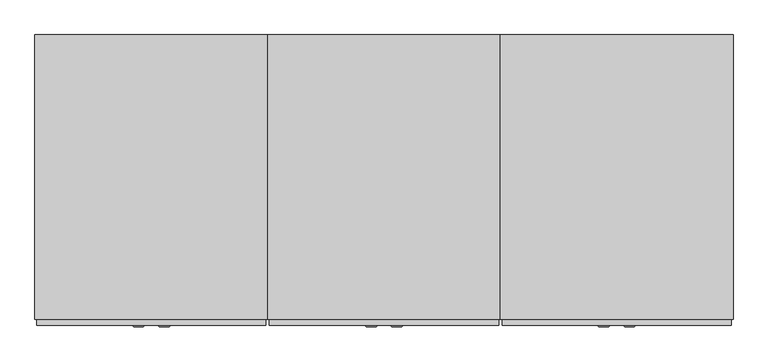
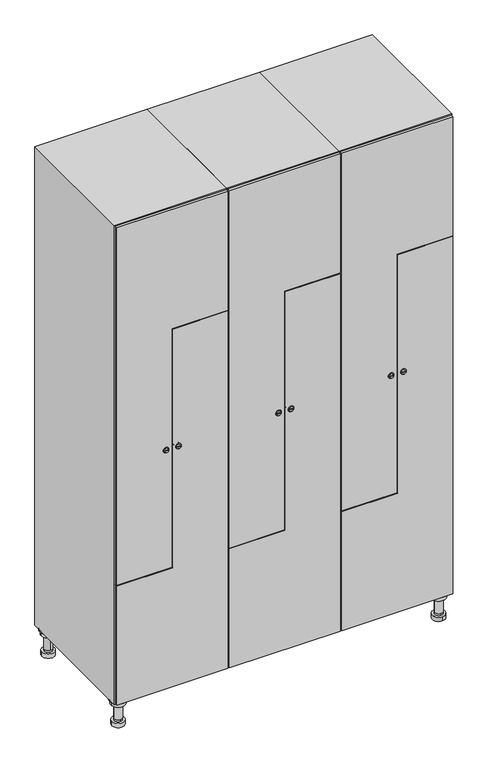
"""IFC4 building model written with IfcOpenShell, lengths in millimetres: furniture geometry."""

from ifc_helpers import new_model, si_unit, point, frame, frame_2d, origin, place, context, project, spatial, polyline, circle_curve, trimmed, segment, composite_curve, outline, extrude, faceted_brep, source, transform, mapped, element, save
from ifc_brep_helpers import plane_surface, cylinder_surface, revolved_surface, advanced_brep


def furniture_04ad4f9d(model_context):
    return source(origin(), model_context, "Body", "SolidModel", [
        advanced_brep(
        [(970.0, -201.0, 22.0), (970.0, -201.5, 16.0), (970.0, -228.5, 16.0), (970.0, -229.0, 22.0), (956.0, -215.0, 22.0), (984.0, -215.0, 22.0), (970.0, -192.5, 16.0), (970.0, -237.5, 16.0), (970.0, -192.5, 0.0), (970.0, -237.5, 0.0), (984.0, -215.0, 78.0), (956.0, -215.0, 78.0), (995.0, -215.0, 78.0), (945.0, -215.0, 78.0), (1000.0, -215.0, 94.0), (940.0, -215.0, 94.0), (945.0, -215.0, 94.0), (995.0, -215.0, 94.0), (1000.0, -215.0, 100.0), (940.0, -215.0, 100.0)],
        [
            (0, 1),
            (1, 2, circle_curve(frame((970.0, -215.0, 16.0), z_axis=(0.0, 0.0, 1.0), x_axis=(0.0, -1.0, 0.0)), 13.5)),
            (2, 3),
            (3, 4, circle_curve(frame((970.0, -215.0, 22.0), z_axis=(0.0, 0.0, -1.0), x_axis=(0.0, -1.0, 0.0)), 14.0)),
            (4, 0, circle_curve(frame((970.0, -215.0, 22.0), z_axis=(0.0, 0.0, -1.0), x_axis=(0.0, -1.0, 0.0)), 14.0)),
            (0, 5, circle_curve(frame((970.0, -215.0, 22.0), z_axis=(0.0, 0.0, -1.0), x_axis=(0.0, 1.0, 0.0)), 14.0)),
            (5, 3, circle_curve(frame((970.0, -215.0, 22.0), z_axis=(0.0, 0.0, -1.0), x_axis=(0.0, 1.0, 0.0)), 14.0)),
            (2, 1, circle_curve(frame((970.0, -215.0, 16.0), z_axis=(0.0, 0.0, 1.0), x_axis=(0.0, 1.0, 0.0)), 13.5)),
            (6, 7, circle_curve(frame((970.0, -215.0, 16.0), z_axis=(0.0, 0.0, 1.0), x_axis=(0.0, -1.0, 0.0)), 22.5)),
            (7, 6, circle_curve(frame((970.0, -215.0, 16.0), z_axis=(0.0, 0.0, 1.0), x_axis=(0.0, -1.0, 0.0)), 22.5)),
            (8, 9, circle_curve(frame((970.0, -215.0, 0.0), z_axis=(0.0, 0.0, -1.0), x_axis=(0.0, -1.0, 0.0)), 22.5)),
            (9, 8, circle_curve(frame((970.0, -215.0, 0.0), z_axis=(0.0, 0.0, -1.0), x_axis=(0.0, -1.0, 0.0)), 22.5)),
            (6, 8),
            (9, 7),
            (5, 10),
            (10, 11, circle_curve(frame((970.0, -215.0, 78.0), z_axis=(0.0, 0.0, -1.0), x_axis=(-1.0, 0.0, 0.0)), 14.0)),
            (11, 4),
            (11, 10, circle_curve(frame((970.0, -215.0, 78.0), z_axis=(0.0, 0.0, -1.0), x_axis=(-1.0, 0.0, 0.0)), 14.0)),
            (12, 13, circle_curve(frame((970.0, -215.0, 78.0), z_axis=(0.0, 0.0, -1.0), x_axis=(-1.0, 0.0, 0.0)), 25.0)),
            (13, 12, circle_curve(frame((970.0, -215.0, 78.0), z_axis=(0.0, 0.0, -1.0), x_axis=(-1.0, 0.0, 0.0)), 25.0)),
            (14, 15, circle_curve(frame((970.0, -215.0, 94.0), z_axis=(0.0, 0.0, -1.0), x_axis=(-1.0, 0.0, 0.0)), 30.0)),
            (15, 14, circle_curve(frame((970.0, -215.0, 94.0), z_axis=(0.0, 0.0, -1.0), x_axis=(-1.0, 0.0, 0.0)), 30.0)),
            (16, 17, circle_curve(frame((970.0, -215.0, 94.0), z_axis=(0.0, 0.0, 1.0), x_axis=(-1.0, 0.0, 0.0)), 25.0)),
            (17, 16, circle_curve(frame((970.0, -215.0, 94.0), z_axis=(0.0, 0.0, 1.0), x_axis=(-1.0, 0.0, 0.0)), 25.0)),
            (18, 19, circle_curve(frame((970.0, -215.0, 100.0), z_axis=(0.0, 0.0, 1.0), x_axis=(-1.0, 0.0, 0.0)), 30.0)),
            (19, 18, circle_curve(frame((970.0, -215.0, 100.0), z_axis=(0.0, 0.0, 1.0), x_axis=(-1.0, 0.0, 0.0)), 30.0)),
            (14, 18),
            (19, 15),
            (12, 17),
            (16, 13),
        ],
        [
            revolved_surface(polyline([(970.0, -201.5, 16.0), (970.0, -201.0, 22.0)]), (970.0, -215.0, -146.0), (0.0, 0.0, 1.0)),
            plane_surface(frame((970.0, 0.0, 16.0), z_axis=(0.0, 0.0, 1.0), x_axis=(0.0, -1.0, 0.0))),
            plane_surface(frame((970.0, 0.0, 0.0), z_axis=(0.0, 0.0, -1.0), x_axis=(0.0, -1.0, 0.0))),
            cylinder_surface(frame((970.0, -215.0, 16.0), z_axis=(0.0, 0.0, 1.0), x_axis=(0.0, -1.0, 0.0)), 22.5),
            cylinder_surface(frame((970.0, -215.0, 22.0), z_axis=(0.0, 0.0, -1.0), x_axis=(-1.0, 0.0, 0.0)), 14.0),
            plane_surface(frame((970.0, 0.0, 78.0), z_axis=(0.0, 0.0, -1.0), x_axis=(0.0, -1.0, 0.0))),
            plane_surface(frame((970.0, 0.0, 94.0), z_axis=(0.0, 0.0, -1.0), x_axis=(0.0, -1.0, 0.0))),
            plane_surface(frame((970.0, 0.0, 100.0), z_axis=(0.0, 0.0, 1.0), x_axis=(0.0, -1.0, 0.0))),
            cylinder_surface(frame((970.0, -215.0, 94.0), z_axis=(0.0, 0.0, -1.0), x_axis=(-1.0, 0.0, 0.0)), 30.0),
            cylinder_surface(frame((970.0, -215.0, 78.0), z_axis=(0.0, 0.0, -1.0), x_axis=(-1.0, 0.0, 0.0)), 25.0),
        ],
        [
            (0, [[1, 2, 3, 4, 5]]),
            (0, [[-1, 6, 7, -3, 8]]),
            (1, [[9, 10], [-2, -8]]),
            (2, [[11, 12]]),
            (3, [[-9, 13, -12, 14]]),
            (3, [[-10, -14, -11, -13]]),
            (4, [[15, 16, 17, -4, -7]]),
            (4, [[-15, -6, -5, -17, 18]]),
            (5, [[19, 20], [-16, -18]]),
            (6, [[21, 22], [23, 24]]),
            (7, [[25, 26]]),
            (8, [[-21, 27, -26, 28]]),
            (8, [[-22, -28, -25, -27]]),
            (9, [[-19, 29, -23, 30]]),
            (9, [[-20, -30, -24, -29]]),
        ],
    ),
        advanced_brep(
        [(-170.0, -201.0, 22.0), (-170.0, -201.5, 16.0), (-170.0, -228.5, 16.0), (-170.0, -229.0, 22.0), (-184.0, -215.0, 22.0), (-156.0, -215.0, 22.0), (-147.5, -215.0, 0.0), (-192.5, -215.0, 0.0), (-147.5, -215.0, 16.0), (-192.5, -215.0, 16.0), (-156.0, -215.0, 78.0), (-184.0, -215.0, 78.0), (-145.0, -215.0, 78.0), (-195.0, -215.0, 78.0), (-140.0, -215.0, 94.0), (-200.0, -215.0, 94.0), (-195.0, -215.0, 94.0), (-145.0, -215.0, 94.0), (-140.0, -215.0, 100.0), (-200.0, -215.0, 100.0)],
        [
            (0, 1),
            (1, 2, circle_curve(frame((-170.0, -215.0, 16.0), z_axis=(0.0, 0.0, 1.0), x_axis=(0.0, -1.0, 0.0)), 13.5)),
            (2, 3),
            (3, 4, circle_curve(frame((-170.0, -215.0, 22.0), z_axis=(0.0, 0.0, -1.0), x_axis=(0.0, -1.0, 0.0)), 14.0)),
            (4, 0, circle_curve(frame((-170.0, -215.0, 22.0), z_axis=(0.0, 0.0, -1.0), x_axis=(0.0, -1.0, 0.0)), 14.0)),
            (0, 5, circle_curve(frame((-170.0, -215.0, 22.0), z_axis=(0.0, 0.0, -1.0), x_axis=(0.0, 1.0, 0.0)), 14.0)),
            (5, 3, circle_curve(frame((-170.0, -215.0, 22.0), z_axis=(0.0, 0.0, -1.0), x_axis=(0.0, 1.0, 0.0)), 14.0)),
            (2, 1, circle_curve(frame((-170.0, -215.0, 16.0), z_axis=(0.0, 0.0, 1.0), x_axis=(0.0, 1.0, 0.0)), 13.5)),
            (6, 7, circle_curve(frame((-170.0, -215.0, 0.0), z_axis=(0.0, 0.0, -1.0), x_axis=(-1.0, 0.0, 0.0)), 22.5)),
            (7, 6, circle_curve(frame((-170.0, -215.0, 0.0), z_axis=(0.0, 0.0, -1.0), x_axis=(-1.0, 0.0, 0.0)), 22.5)),
            (8, 9, circle_curve(frame((-170.0, -215.0, 16.0), z_axis=(0.0, 0.0, 1.0), x_axis=(-1.0, 0.0, 0.0)), 22.5)),
            (9, 8, circle_curve(frame((-170.0, -215.0, 16.0), z_axis=(0.0, 0.0, 1.0), x_axis=(-1.0, 0.0, 0.0)), 22.5)),
            (6, 8),
            (9, 7),
            (5, 10),
            (10, 11, circle_curve(frame((-170.0, -215.0, 78.0), z_axis=(0.0, 0.0, -1.0), x_axis=(-1.0, 0.0, 0.0)), 14.0)),
            (11, 4),
            (11, 10, circle_curve(frame((-170.0, -215.0, 78.0), z_axis=(0.0, 0.0, -1.0), x_axis=(-1.0, 0.0, 0.0)), 14.0)),
            (12, 13, circle_curve(frame((-170.0, -215.0, 78.0), z_axis=(0.0, 0.0, -1.0), x_axis=(-1.0, 0.0, 0.0)), 25.0)),
            (13, 12, circle_curve(frame((-170.0, -215.0, 78.0), z_axis=(0.0, 0.0, -1.0), x_axis=(-1.0, 0.0, 0.0)), 25.0)),
            (14, 15, circle_curve(frame((-170.0, -215.0, 94.0), z_axis=(0.0, 0.0, -1.0), x_axis=(-1.0, 0.0, 0.0)), 30.0)),
            (15, 14, circle_curve(frame((-170.0, -215.0, 94.0), z_axis=(0.0, 0.0, -1.0), x_axis=(-1.0, 0.0, 0.0)), 30.0)),
            (16, 17, circle_curve(frame((-170.0, -215.0, 94.0), z_axis=(0.0, 0.0, 1.0), x_axis=(-1.0, 0.0, 0.0)), 25.0)),
            (17, 16, circle_curve(frame((-170.0, -215.0, 94.0), z_axis=(0.0, 0.0, 1.0), x_axis=(-1.0, 0.0, 0.0)), 25.0)),
            (18, 19, circle_curve(frame((-170.0, -215.0, 100.0), z_axis=(0.0, 0.0, 1.0), x_axis=(-1.0, 0.0, 0.0)), 30.0)),
            (19, 18, circle_curve(frame((-170.0, -215.0, 100.0), z_axis=(0.0, 0.0, 1.0), x_axis=(-1.0, 0.0, 0.0)), 30.0)),
            (14, 18),
            (19, 15),
            (12, 17),
            (16, 13),
        ],
        [
            revolved_surface(polyline([(-170.0, -201.5, 16.0), (-170.0, -201.0, 22.0)]), (-170.0, -215.0, -146.0), (0.0, 0.0, 1.0)),
            plane_surface(frame((-170.0, 0.0, 0.0), z_axis=(0.0, 0.0, -1.0), x_axis=(0.0, -1.0, 0.0))),
            plane_surface(frame((-170.0, 0.0, 16.0), z_axis=(0.0, 0.0, 1.0), x_axis=(0.0, -1.0, 0.0))),
            cylinder_surface(frame((-170.0, -215.0, 0.0), z_axis=(0.0, 0.0, -1.0), x_axis=(-1.0, 0.0, 0.0)), 22.5),
            cylinder_surface(frame((-170.0, -215.0, 22.0), z_axis=(0.0, 0.0, -1.0), x_axis=(-1.0, 0.0, 0.0)), 14.0),
            plane_surface(frame((-170.0, 0.0, 78.0), z_axis=(0.0, 0.0, -1.0), x_axis=(0.0, -1.0, 0.0))),
            plane_surface(frame((-170.0, 0.0, 94.0), z_axis=(0.0, 0.0, -1.0), x_axis=(0.0, -1.0, 0.0))),
            plane_surface(frame((-170.0, 0.0, 100.0), z_axis=(0.0, 0.0, 1.0), x_axis=(0.0, -1.0, 0.0))),
            cylinder_surface(frame((-170.0, -215.0, 94.0), z_axis=(0.0, 0.0, -1.0), x_axis=(-1.0, 0.0, 0.0)), 30.0),
            cylinder_surface(frame((-170.0, -215.0, 78.0), z_axis=(0.0, 0.0, -1.0), x_axis=(-1.0, 0.0, 0.0)), 25.0),
        ],
        [
            (0, [[1, 2, 3, 4, 5]]),
            (0, [[-1, 6, 7, -3, 8]]),
            (1, [[9, 10]]),
            (2, [[11, 12], [-2, -8]]),
            (3, [[-9, 13, -12, 14]]),
            (3, [[-10, -14, -11, -13]]),
            (4, [[15, 16, 17, -4, -7]]),
            (4, [[-15, -6, -5, -17, 18]]),
            (5, [[19, 20], [-16, -18]]),
            (6, [[21, 22], [23, 24]]),
            (7, [[25, 26]]),
            (8, [[-21, 27, -26, 28]]),
            (8, [[-22, -28, -25, -27]]),
            (9, [[-19, 29, -23, 30]]),
            (9, [[-20, -30, -24, -29]]),
        ],
    ),
        advanced_brep(
        [(983.5, 215.0, 16.0), (984.0, 215.0, 22.0), (956.0, 215.0, 22.0), (956.5, 215.0, 16.0), (992.5, 215.0, 0.0), (947.5, 215.0, 0.0), (992.5, 215.0, 16.0), (947.5, 215.0, 16.0), (984.0, 215.0, 78.0), (956.0, 215.0, 78.0), (995.0, 215.0, 78.0), (945.0, 215.0, 78.0), (1000.0, 215.0, 94.0), (940.0, 215.0, 94.0), (945.0, 215.0, 94.0), (995.0, 215.0, 94.0), (1000.0, 215.0, 100.0), (940.0, 215.0, 100.0)],
        [
            (0, 1),
            (1, 2, circle_curve(frame((970.0, 215.0, 22.0), z_axis=(0.0, 0.0, -1.0), x_axis=(-1.0, 0.0, 0.0)), 14.0)),
            (2, 3),
            (3, 0, circle_curve(frame((970.0, 215.0, 16.0), z_axis=(0.0, 0.0, 1.0), x_axis=(-1.0, 0.0, 0.0)), 13.5)),
            (0, 3, circle_curve(frame((970.0, 215.0, 16.0), z_axis=(0.0, 0.0, 1.0), x_axis=(1.0, 0.0, 0.0)), 13.5)),
            (2, 1, circle_curve(frame((970.0, 215.0, 22.0), z_axis=(0.0, 0.0, -1.0), x_axis=(1.0, 0.0, 0.0)), 14.0)),
            (4, 5, circle_curve(frame((970.0, 215.0, 0.0), z_axis=(0.0, 0.0, -1.0), x_axis=(-1.0, 0.0, 0.0)), 22.5)),
            (5, 4, circle_curve(frame((970.0, 215.0, 0.0), z_axis=(0.0, 0.0, -1.0), x_axis=(-1.0, 0.0, 0.0)), 22.5)),
            (6, 7, circle_curve(frame((970.0, 215.0, 16.0), z_axis=(0.0, 0.0, 1.0), x_axis=(-1.0, 0.0, 0.0)), 22.5)),
            (7, 6, circle_curve(frame((970.0, 215.0, 16.0), z_axis=(0.0, 0.0, 1.0), x_axis=(-1.0, 0.0, 0.0)), 22.5)),
            (4, 6),
            (7, 5),
            (1, 8),
            (8, 9, circle_curve(frame((970.0, 215.0, 78.0), z_axis=(0.0, 0.0, -1.0), x_axis=(-1.0, 0.0, 0.0)), 14.0)),
            (9, 2),
            (9, 8, circle_curve(frame((970.0, 215.0, 78.0), z_axis=(0.0, 0.0, -1.0), x_axis=(-1.0, 0.0, 0.0)), 14.0)),
            (10, 11, circle_curve(frame((970.0, 215.0, 78.0), z_axis=(0.0, 0.0, -1.0), x_axis=(-1.0, 0.0, 0.0)), 25.0)),
            (11, 10, circle_curve(frame((970.0, 215.0, 78.0), z_axis=(0.0, 0.0, -1.0), x_axis=(-1.0, 0.0, 0.0)), 25.0)),
            (12, 13, circle_curve(frame((970.0, 215.0, 94.0), z_axis=(0.0, 0.0, -1.0), x_axis=(-1.0, 0.0, 0.0)), 30.0)),
            (13, 12, circle_curve(frame((970.0, 215.0, 94.0), z_axis=(0.0, 0.0, -1.0), x_axis=(-1.0, 0.0, 0.0)), 30.0)),
            (14, 15, circle_curve(frame((970.0, 215.0, 94.0), z_axis=(0.0, 0.0, 1.0), x_axis=(-1.0, 0.0, 0.0)), 25.0)),
            (15, 14, circle_curve(frame((970.0, 215.0, 94.0), z_axis=(0.0, 0.0, 1.0), x_axis=(-1.0, 0.0, 0.0)), 25.0)),
            (16, 17, circle_curve(frame((970.0, 215.0, 100.0), z_axis=(0.0, 0.0, 1.0), x_axis=(-1.0, 0.0, 0.0)), 30.0)),
            (17, 16, circle_curve(frame((970.0, 215.0, 100.0), z_axis=(0.0, 0.0, 1.0), x_axis=(-1.0, 0.0, 0.0)), 30.0)),
            (12, 16),
            (17, 13),
            (10, 15),
            (14, 11),
        ],
        [
            revolved_surface(polyline([(983.5, 215.0, 16.0), (984.0, 215.0, 22.0)]), (970.0, 215.0, -146.0), (0.0, 0.0, 1.0)),
            plane_surface(frame((970.0, 0.0, 0.0), z_axis=(0.0, 0.0, -1.0), x_axis=(0.0, -1.0, 0.0))),
            plane_surface(frame((970.0, 0.0, 16.0), z_axis=(0.0, 0.0, 1.0), x_axis=(0.0, -1.0, 0.0))),
            cylinder_surface(frame((970.0, 215.0, 0.0), z_axis=(0.0, 0.0, -1.0), x_axis=(-1.0, 0.0, 0.0)), 22.5),
            cylinder_surface(frame((970.0, 215.0, 22.0), z_axis=(0.0, 0.0, -1.0), x_axis=(-1.0, 0.0, 0.0)), 14.0),
            plane_surface(frame((970.0, 0.0, 78.0), z_axis=(0.0, 0.0, -1.0), x_axis=(0.0, -1.0, 0.0))),
            plane_surface(frame((970.0, 0.0, 94.0), z_axis=(0.0, 0.0, -1.0), x_axis=(0.0, -1.0, 0.0))),
            plane_surface(frame((970.0, 0.0, 100.0), z_axis=(0.0, 0.0, 1.0), x_axis=(0.0, -1.0, 0.0))),
            cylinder_surface(frame((970.0, 215.0, 94.0), z_axis=(0.0, 0.0, -1.0), x_axis=(-1.0, 0.0, 0.0)), 30.0),
            cylinder_surface(frame((970.0, 215.0, 78.0), z_axis=(0.0, 0.0, -1.0), x_axis=(-1.0, 0.0, 0.0)), 25.0),
        ],
        [
            (0, [[1, 2, 3, 4]]),
            (0, [[-1, 5, -3, 6]]),
            (1, [[7, 8]]),
            (2, [[9, 10], [-4, -5]]),
            (3, [[-7, 11, -10, 12]]),
            (3, [[-8, -12, -9, -11]]),
            (4, [[13, 14, 15, -2]]),
            (4, [[-13, -6, -15, 16]]),
            (5, [[17, 18], [-14, -16]]),
            (6, [[19, 20], [21, 22]]),
            (7, [[23, 24]]),
            (8, [[-19, 25, -24, 26]]),
            (8, [[-20, -26, -23, -25]]),
            (9, [[-17, 27, -21, 28]]),
            (9, [[-18, -28, -22, -27]]),
        ],
    ),
        advanced_brep(
        [(-156.5, 215.0, 16.0), (-156.0, 215.0, 22.0), (-170.0, 201.0, 22.0), (-184.0, 215.0, 22.0), (-183.5, 215.0, 16.0), (-170.0, 229.0, 22.0), (-147.5, 215.0, 0.0), (-192.5, 215.0, 0.0), (-147.5, 215.0, 16.0), (-192.5, 215.0, 16.0), (-170.0, 229.0, 78.0), (-170.0, 201.0, 78.0), (-145.0, 215.0, 78.0), (-195.0, 215.0, 78.0), (-140.0, 215.0, 94.0), (-200.0, 215.0, 94.0), (-195.0, 215.0, 94.0), (-145.0, 215.0, 94.0), (-140.0, 215.0, 100.0), (-200.0, 215.0, 100.0)],
        [
            (0, 1),
            (1, 2, circle_curve(frame((-170.0, 215.0, 22.0), z_axis=(0.0, 0.0, -1.0), x_axis=(-1.0, 0.0, 0.0)), 14.0)),
            (2, 3, circle_curve(frame((-170.0, 215.0, 22.0), z_axis=(0.0, 0.0, -1.0), x_axis=(-1.0, 0.0, 0.0)), 14.0)),
            (3, 4),
            (4, 0, circle_curve(frame((-170.0, 215.0, 16.0), z_axis=(0.0, 0.0, 1.0), x_axis=(-1.0, 0.0, 0.0)), 13.5)),
            (0, 4, circle_curve(frame((-170.0, 215.0, 16.0), z_axis=(0.0, 0.0, 1.0), x_axis=(1.0, 0.0, 0.0)), 13.5)),
            (3, 5, circle_curve(frame((-170.0, 215.0, 22.0), z_axis=(0.0, 0.0, -1.0), x_axis=(1.0, 0.0, 0.0)), 14.0)),
            (5, 1, circle_curve(frame((-170.0, 215.0, 22.0), z_axis=(0.0, 0.0, -1.0), x_axis=(1.0, 0.0, 0.0)), 14.0)),
            (6, 7, circle_curve(frame((-170.0, 215.0, 0.0), z_axis=(0.0, 0.0, -1.0), x_axis=(-1.0, 0.0, 0.0)), 22.5)),
            (7, 6, circle_curve(frame((-170.0, 215.0, 0.0), z_axis=(0.0, 0.0, -1.0), x_axis=(-1.0, 0.0, 0.0)), 22.5)),
            (8, 9, circle_curve(frame((-170.0, 215.0, 16.0), z_axis=(0.0, 0.0, 1.0), x_axis=(-1.0, 0.0, 0.0)), 22.5)),
            (9, 8, circle_curve(frame((-170.0, 215.0, 16.0), z_axis=(0.0, 0.0, 1.0), x_axis=(-1.0, 0.0, 0.0)), 22.5)),
            (6, 8),
            (9, 7),
            (10, 5),
            (2, 11),
            (11, 10, circle_curve(frame((-170.0, 215.0, 78.0), z_axis=(0.0, 0.0, -1.0), x_axis=(0.0, -1.0, 0.0)), 14.0)),
            (10, 11, circle_curve(frame((-170.0, 215.0, 78.0), z_axis=(0.0, 0.0, -1.0), x_axis=(0.0, -1.0, 0.0)), 14.0)),
            (12, 13, circle_curve(frame((-170.0, 215.0, 78.0), z_axis=(0.0, 0.0, -1.0), x_axis=(-1.0, 0.0, 0.0)), 25.0)),
            (13, 12, circle_curve(frame((-170.0, 215.0, 78.0), z_axis=(0.0, 0.0, -1.0), x_axis=(-1.0, 0.0, 0.0)), 25.0)),
            (14, 15, circle_curve(frame((-170.0, 215.0, 94.0), z_axis=(0.0, 0.0, -1.0), x_axis=(-1.0, 0.0, 0.0)), 30.0)),
            (15, 14, circle_curve(frame((-170.0, 215.0, 94.0), z_axis=(0.0, 0.0, -1.0), x_axis=(-1.0, 0.0, 0.0)), 30.0)),
            (16, 17, circle_curve(frame((-170.0, 215.0, 94.0), z_axis=(0.0, 0.0, 1.0), x_axis=(-1.0, 0.0, 0.0)), 25.0)),
            (17, 16, circle_curve(frame((-170.0, 215.0, 94.0), z_axis=(0.0, 0.0, 1.0), x_axis=(-1.0, 0.0, 0.0)), 25.0)),
            (18, 19, circle_curve(frame((-170.0, 215.0, 100.0), z_axis=(0.0, 0.0, 1.0), x_axis=(-1.0, 0.0, 0.0)), 30.0)),
            (19, 18, circle_curve(frame((-170.0, 215.0, 100.0), z_axis=(0.0, 0.0, 1.0), x_axis=(-1.0, 0.0, 0.0)), 30.0)),
            (14, 18),
            (19, 15),
            (12, 17),
            (16, 13),
        ],
        [
            revolved_surface(polyline([(-156.5, 215.0, 16.0), (-156.0, 215.0, 22.0)]), (-170.0, 215.0, -146.0), (0.0, 0.0, 1.0)),
            plane_surface(frame((-170.0, 0.0, 0.0), z_axis=(0.0, 0.0, -1.0), x_axis=(0.0, -1.0, 0.0))),
            plane_surface(frame((-170.0, 0.0, 16.0), z_axis=(0.0, 0.0, 1.0), x_axis=(0.0, -1.0, 0.0))),
            cylinder_surface(frame((-170.0, 215.0, 0.0), z_axis=(0.0, 0.0, -1.0), x_axis=(-1.0, 0.0, 0.0)), 22.5),
            cylinder_surface(frame((-170.0, 215.0, 78.0), z_axis=(0.0, 0.0, 1.0), x_axis=(0.0, -1.0, 0.0)), 14.0),
            plane_surface(frame((-170.0, 0.0, 78.0), z_axis=(0.0, 0.0, -1.0), x_axis=(0.0, -1.0, 0.0))),
            plane_surface(frame((-170.0, 0.0, 94.0), z_axis=(0.0, 0.0, -1.0), x_axis=(0.0, -1.0, 0.0))),
            plane_surface(frame((-170.0, 0.0, 100.0), z_axis=(0.0, 0.0, 1.0), x_axis=(0.0, -1.0, 0.0))),
            cylinder_surface(frame((-170.0, 215.0, 94.0), z_axis=(0.0, 0.0, -1.0), x_axis=(-1.0, 0.0, 0.0)), 30.0),
            cylinder_surface(frame((-170.0, 215.0, 78.0), z_axis=(0.0, 0.0, -1.0), x_axis=(-1.0, 0.0, 0.0)), 25.0),
        ],
        [
            (0, [[1, 2, 3, 4, 5]]),
            (0, [[-1, 6, -4, 7, 8]]),
            (1, [[9, 10]]),
            (2, [[11, 12], [-5, -6]]),
            (3, [[-9, 13, -12, 14]]),
            (3, [[-10, -14, -11, -13]]),
            (4, [[15, -7, -3, 16, 17]]),
            (4, [[-15, 18, -16, -2, -8]]),
            (5, [[19, 20], [-17, -18]]),
            (6, [[21, 22], [23, 24]]),
            (7, [[25, 26]]),
            (8, [[-21, 27, -26, 28]]),
            (8, [[-22, -28, -25, -27]]),
            (9, [[-19, 29, -23, 30]]),
            (9, [[-20, -30, -24, -29]]),
        ],
    ),
        extrude(outline(composite_curve([segment(trimmed(circle_curve(frame_2d((1000.0, 804.7989466)), 7.0), [point((993.0, 804.7989466))], [point((1007.0, 804.7989466))], False, "CARTESIAN"), True, "CONTINUOUS"), segment(polyline([(1007.0, 804.7989466), (1007.0, 776.7989466)]), True, "CONTINUOUS"), segment(trimmed(circle_curve(frame_2d((1000.0, 776.7989466)), 7.0), [point((1007.0, 776.7989466))], [point((993.0, 776.7989466))], False, "CARTESIAN"), True, "CONTINUOUS"), segment(polyline([(993.0, 776.7989466), (993.0, 804.7989466)]), True, "CONTINUOUS")], self_intersect=False)), frame((0.0, -245.0, 0.0), z_axis=(0.0, 1.0, 0.0), x_axis=(0.0, 0.0, 1.0)), (0.0, 0.0, 1.0), 2.0),
        advanced_brep(
        [(769.5, -257.2, 1000.0), (786.5, -257.2, 1000.0), (783.0, -257.2, 1001.25), (783.0, -257.2, 998.75), (773.0, -257.2, 998.75), (773.0, -257.2, 1001.25), (767.5, -255.0, 1000.0), (788.5, -255.0, 1000.0), (783.0, -255.0, 998.75), (783.0, -255.0, 1001.25), (773.0, -255.0, 1001.25), (773.0, -255.0, 998.75)],
        [
            (0, 1, circle_curve(frame((778.0, -257.2, 1000.0), z_axis=(0.0, -1.0, 0.0), x_axis=(-1.0, 0.0, 0.0)), 8.5)),
            (1, 0, circle_curve(frame((778.0, -257.2, 1000.0), z_axis=(0.0, -1.0, 0.0), x_axis=(1.0, 0.0, 0.0)), 8.5)),
            (2, 3),
            (3, 4),
            (4, 5),
            (5, 2),
            (6, 7, circle_curve(frame((778.0, -255.0, 1000.0), z_axis=(0.0, 1.0, 0.0), x_axis=(1.0, 0.0, 0.0)), 10.5)),
            (7, 6, circle_curve(frame((778.0, -255.0, 1000.0), z_axis=(0.0, 1.0, 0.0), x_axis=(-1.0, 0.0, 0.0)), 10.5)),
            (8, 9),
            (9, 10),
            (10, 11),
            (11, 8),
            (0, 6),
            (7, 1),
            (8, 3),
            (2, 9),
            (11, 4),
            (10, 5),
        ],
        [
            plane_surface(frame((778.0, -257.2, 1000.0), z_axis=(0.0, -1.0, 0.0), x_axis=(0.0, 0.0, -1.0))),
            plane_surface(frame((778.0, -255.0, 1000.0), z_axis=(0.0, 1.0, 0.0), x_axis=(0.0, 0.0, -1.0))),
            revolved_surface(polyline([(769.5, -257.2, 1000.0), (767.5, -255.0, 1000.0)]), (778.0, -266.55, 1000.0), (0.0, 1.0, 0.0)),
            revolved_surface(polyline([(786.5, -257.2, 1000.0), (788.5, -255.0, 1000.0)]), (778.0, -266.55, 1000.0), (0.0, 1.0, 0.0)),
            plane_surface(frame((783.0, -255.0, 1001.25), z_axis=(-1.0, 0.0, 0.0), x_axis=(0.0, -1.0, 0.0))),
            plane_surface(frame((783.0, -255.0, 998.75), z_axis=(0.0, 0.0, 1.0), x_axis=(0.0, -1.0, 0.0))),
            plane_surface(frame((773.0, -255.0, 998.75), z_axis=(1.0, 0.0, 0.0), x_axis=(0.0, -1.0, 0.0))),
            plane_surface(frame((773.0, -255.0, 1001.25), z_axis=(0.0, 0.0, -1.0), x_axis=(0.0, -1.0, 0.0))),
        ],
        [
            (0, [[1, 2], [3, 4, 5, 6]]),
            (1, [[7, 8], [9, 10, 11, 12]]),
            (2, [[-1, 13, -8, 14]]),
            (3, [[-2, -14, -7, -13]]),
            (4, [[15, -3, 16, -9]]),
            (5, [[-15, -12, 17, -4]]),
            (6, [[-17, -11, 18, -5]]),
            (7, [[-16, -6, -18, -10]]),
        ],
    ),
        extrude(outline(polyline([(1897.0, 603.0), (553.0, 603.0), (553.0, 798.5), (1450.0, 798.5), (1450.0, 997.0), (1897.0, 997.0), (1897.0, 603.0)])), frame((0.0, -255.0, 0.0), z_axis=(0.0, 1.0, 0.0), x_axis=(0.0, 0.0, 1.0)), (0.0, 0.0, 1.0), 10.0),
        extrude(outline(composite_curve([segment(trimmed(circle_curve(frame_2d((1000.0, 795.2010534)), 7.0), [point((1007.0, 795.2010534))], [point((993.0, 795.2010534))], False, "CARTESIAN"), True, "CONTINUOUS"), segment(polyline([(993.0, 795.2010534), (993.0, 823.2010534)]), True, "CONTINUOUS"), segment(trimmed(circle_curve(frame_2d((1000.0, 823.2010534)), 7.0), [point((993.0, 823.2010534))], [point((1007.0, 823.2010534))], False, "CARTESIAN"), True, "CONTINUOUS"), segment(polyline([(1007.0, 823.2010534), (1007.0, 795.2010534)]), True, "CONTINUOUS")], self_intersect=False)), frame((0.0, -245.0, 0.0), z_axis=(0.0, 1.0, 0.0), x_axis=(0.0, 0.0, 1.0)), (0.0, 0.0, 1.0), 2.0),
        advanced_brep(
        [(830.5, -257.2, 1000.0), (813.5, -257.2, 1000.0), (817.0, -257.2, 998.75), (817.0, -257.2, 1001.25), (827.0, -257.2, 1001.25), (827.0, -257.2, 998.75), (832.5, -255.0, 1000.0), (811.5, -255.0, 1000.0), (817.0, -255.0, 1001.25), (817.0, -255.0, 998.75), (827.0, -255.0, 998.75), (827.0, -255.0, 1001.25)],
        [
            (0, 1, circle_curve(frame((822.0, -257.2, 1000.0), z_axis=(0.0, -1.0, 0.0), x_axis=(1.0, 0.0, 0.0)), 8.5)),
            (1, 0, circle_curve(frame((822.0, -257.2, 1000.0), z_axis=(0.0, -1.0, 0.0), x_axis=(-1.0, 0.0, 0.0)), 8.5)),
            (2, 3),
            (3, 4),
            (4, 5),
            (5, 2),
            (6, 7, circle_curve(frame((822.0, -255.0, 1000.0), z_axis=(0.0, 1.0, 0.0), x_axis=(-1.0, 0.0, 0.0)), 10.5)),
            (7, 6, circle_curve(frame((822.0, -255.0, 1000.0), z_axis=(0.0, 1.0, 0.0), x_axis=(1.0, 0.0, 0.0)), 10.5)),
            (8, 9),
            (9, 10),
            (10, 11),
            (11, 8),
            (0, 6),
            (7, 1),
            (8, 3),
            (2, 9),
            (11, 4),
            (10, 5),
        ],
        [
            plane_surface(frame((822.0, -257.2, 1000.0), z_axis=(0.0, -1.0, 0.0), x_axis=(0.0, 0.0, 1.0))),
            plane_surface(frame((822.0, -255.0, 1000.0), z_axis=(0.0, 1.0, 0.0), x_axis=(0.0, 0.0, 1.0))),
            revolved_surface(polyline([(830.5, -257.2, 1000.0), (832.5, -255.0, 1000.0)]), (822.0, -266.55, 1000.0), (0.0, 1.0, 0.0)),
            revolved_surface(polyline([(813.5, -257.2, 1000.0), (811.5, -255.0, 1000.0)]), (822.0, -266.55, 1000.0), (0.0, 1.0, 0.0)),
            plane_surface(frame((817.0, -255.0, 998.75), z_axis=(1.0, 0.0, 0.0), x_axis=(0.0, -1.0, 0.0))),
            plane_surface(frame((817.0, -255.0, 1001.25), z_axis=(0.0, 0.0, -1.0), x_axis=(0.0, -1.0, 0.0))),
            plane_surface(frame((827.0, -255.0, 1001.25), z_axis=(-1.0, 0.0, 0.0), x_axis=(0.0, -1.0, 0.0))),
            plane_surface(frame((827.0, -255.0, 998.75), z_axis=(0.0, 0.0, 1.0), x_axis=(0.0, -1.0, 0.0))),
        ],
        [
            (0, [[1, 2], [3, 4, 5, 6]]),
            (1, [[7, 8], [9, 10, 11, 12]]),
            (2, [[-1, 13, -8, 14]]),
            (3, [[-2, -14, -7, -13]]),
            (4, [[15, -3, 16, -9]]),
            (5, [[-15, -12, 17, -4]]),
            (6, [[-17, -11, 18, -5]]),
            (7, [[-16, -6, -18, -10]]),
        ],
    ),
        extrude(outline(polyline([(103.0, 997.0), (1447.0, 997.0), (1447.0, 801.5), (550.0, 801.5), (550.0, 603.0), (103.0, 603.0), (103.0, 997.0)])), frame((0.0, -255.0, 0.0), z_axis=(0.0, 1.0, 0.0), x_axis=(0.0, 0.0, 1.0)), (0.0, 0.0, 1.0), 10.0),
        extrude(outline(polyline([(1443.5, 990.0), (1453.5, 990.0), (1453.5, 795.0), (556.5, 795.0), (556.5, 610.0), (546.5, 610.0), (546.5, 805.0), (1443.5, 805.0), (1443.5, 990.0)])), frame((0.0, -245.0, 0.0), z_axis=(0.0, 1.0, 0.0), x_axis=(0.0, 0.0, 1.0)), (0.0, 0.0, 1.0), 486.0),
        faceted_brep([(1000.0, -245.0, 100.0), (1000.0, -245.0, 1900.0), (600.0, -245.0, 1900.0), (600.0, -245.0, 100.0), (990.0, -245.0, 1890.0), (990.0, -245.0, 110.0), (610.0, -245.0, 110.0), (610.0, -245.0, 1890.0), (1000.0, 245.0, 100.0), (600.0, 245.0, 100.0), (1000.0, 245.0, 1900.0), (600.0, 245.0, 1900.0), (990.0, 241.0, 1890.0), (990.0, 241.0, 110.0), (600.0, 245.0, 1890.0), (610.0, 241.0, 1890.0), (610.0, 241.0, 110.0)], [[[0, 1, 2, 3], [4, 5, 6, 7]], [[8, 0, 3, 9]], [[1, 0, 8, 10]], [[1, 10, 11, 2]], [[4, 12, 13, 5]], [[9, 3, 2, 11, 14]], [[10, 8, 9, 14, 11]], [[12, 15, 16, 13]], [[15, 7, 6, 16]], [[4, 7, 15, 12]], [[6, 5, 13, 16]]]),
        extrude(outline(composite_curve([segment(trimmed(circle_curve(frame_2d((1000.0, 404.7989466)), 7.0), [point((993.0, 404.7989466))], [point((1007.0, 404.7989466))], False, "CARTESIAN"), True, "CONTINUOUS"), segment(polyline([(1007.0, 404.7989466), (1007.0, 376.7989466)]), True, "CONTINUOUS"), segment(trimmed(circle_curve(frame_2d((1000.0, 376.7989466)), 7.0), [point((1007.0, 376.7989466))], [point((993.0, 376.7989466))], False, "CARTESIAN"), True, "CONTINUOUS"), segment(polyline([(993.0, 376.7989466), (993.0, 404.7989466)]), True, "CONTINUOUS")], self_intersect=False)), frame((0.0, -245.0, 0.0), z_axis=(0.0, 1.0, 0.0), x_axis=(0.0, 0.0, 1.0)), (0.0, 0.0, 1.0), 2.0),
        advanced_brep(
        [(369.5, -257.2, 1000.0), (386.5, -257.2, 1000.0), (383.0, -257.2, 1001.25), (383.0, -257.2, 998.75), (373.0, -257.2, 998.75), (373.0, -257.2, 1001.25), (367.5, -255.0, 1000.0), (388.5, -255.0, 1000.0), (383.0, -255.0, 998.75), (383.0, -255.0, 1001.25), (373.0, -255.0, 1001.25), (373.0, -255.0, 998.75)],
        [
            (0, 1, circle_curve(frame((378.0, -257.2, 1000.0), z_axis=(0.0, -1.0, 0.0), x_axis=(-1.0, 0.0, 0.0)), 8.5)),
            (1, 0, circle_curve(frame((378.0, -257.2, 1000.0), z_axis=(0.0, -1.0, 0.0), x_axis=(1.0, 0.0, 0.0)), 8.5)),
            (2, 3),
            (3, 4),
            (4, 5),
            (5, 2),
            (6, 7, circle_curve(frame((378.0, -255.0, 1000.0), z_axis=(0.0, 1.0, 0.0), x_axis=(1.0, 0.0, 0.0)), 10.5)),
            (7, 6, circle_curve(frame((378.0, -255.0, 1000.0), z_axis=(0.0, 1.0, 0.0), x_axis=(-1.0, 0.0, 0.0)), 10.5)),
            (8, 9),
            (9, 10),
            (10, 11),
            (11, 8),
            (0, 6),
            (7, 1),
            (8, 3),
            (2, 9),
            (11, 4),
            (10, 5),
        ],
        [
            plane_surface(frame((378.0, -257.2, 1000.0), z_axis=(0.0, -1.0, 0.0), x_axis=(0.0, 0.0, -1.0))),
            plane_surface(frame((378.0, -255.0, 1000.0), z_axis=(0.0, 1.0, 0.0), x_axis=(0.0, 0.0, -1.0))),
            revolved_surface(polyline([(369.5, -257.2, 1000.0), (367.5, -255.0, 1000.0)]), (378.0, -266.55, 1000.0), (0.0, 1.0, 0.0)),
            revolved_surface(polyline([(386.5, -257.2, 1000.0), (388.5, -255.0, 1000.0)]), (378.0, -266.55, 1000.0), (0.0, 1.0, 0.0)),
            plane_surface(frame((383.0, -255.0, 1001.25), z_axis=(-1.0, 0.0, 0.0), x_axis=(0.0, -1.0, 0.0))),
            plane_surface(frame((383.0, -255.0, 998.75), z_axis=(0.0, 0.0, 1.0), x_axis=(0.0, -1.0, 0.0))),
            plane_surface(frame((373.0, -255.0, 998.75), z_axis=(1.0, 0.0, 0.0), x_axis=(0.0, -1.0, 0.0))),
            plane_surface(frame((373.0, -255.0, 1001.25), z_axis=(0.0, 0.0, -1.0), x_axis=(0.0, -1.0, 0.0))),
        ],
        [
            (0, [[1, 2], [3, 4, 5, 6]]),
            (1, [[7, 8], [9, 10, 11, 12]]),
            (2, [[-1, 13, -8, 14]]),
            (3, [[-2, -14, -7, -13]]),
            (4, [[15, -3, 16, -9]]),
            (5, [[-15, -12, 17, -4]]),
            (6, [[-17, -11, 18, -5]]),
            (7, [[-16, -6, -18, -10]]),
        ],
    ),
        extrude(outline(polyline([(1897.0, 203.0), (553.0, 203.0), (553.0, 398.5), (1450.0, 398.5), (1450.0, 597.0), (1897.0, 597.0), (1897.0, 203.0)])), frame((0.0, -255.0, 0.0), z_axis=(0.0, 1.0, 0.0), x_axis=(0.0, 0.0, 1.0)), (0.0, 0.0, 1.0), 10.0),
        extrude(outline(composite_curve([segment(trimmed(circle_curve(frame_2d((1000.0, 395.2010534)), 7.0), [point((1007.0, 395.2010534))], [point((993.0, 395.2010534))], False, "CARTESIAN"), True, "CONTINUOUS"), segment(polyline([(993.0, 395.2010534), (993.0, 423.2010534)]), True, "CONTINUOUS"), segment(trimmed(circle_curve(frame_2d((1000.0, 423.2010534)), 7.0), [point((993.0, 423.2010534))], [point((1007.0, 423.2010534))], False, "CARTESIAN"), True, "CONTINUOUS"), segment(polyline([(1007.0, 423.2010534), (1007.0, 395.2010534)]), True, "CONTINUOUS")], self_intersect=False)), frame((0.0, -245.0, 0.0), z_axis=(0.0, 1.0, 0.0), x_axis=(0.0, 0.0, 1.0)), (0.0, 0.0, 1.0), 2.0),
        advanced_brep(
        [(430.5, -257.2, 1000.0), (413.5, -257.2, 1000.0), (417.0, -257.2, 998.75), (417.0, -257.2, 1001.25), (427.0, -257.2, 1001.25), (427.0, -257.2, 998.75), (432.5, -255.0, 1000.0), (411.5, -255.0, 1000.0), (417.0, -255.0, 1001.25), (417.0, -255.0, 998.75), (427.0, -255.0, 998.75), (427.0, -255.0, 1001.25)],
        [
            (0, 1, circle_curve(frame((422.0, -257.2, 1000.0), z_axis=(0.0, -1.0, 0.0), x_axis=(1.0, 0.0, 0.0)), 8.5)),
            (1, 0, circle_curve(frame((422.0, -257.2, 1000.0), z_axis=(0.0, -1.0, 0.0), x_axis=(-1.0, 0.0, 0.0)), 8.5)),
            (2, 3),
            (3, 4),
            (4, 5),
            (5, 2),
            (6, 7, circle_curve(frame((422.0, -255.0, 1000.0), z_axis=(0.0, 1.0, 0.0), x_axis=(-1.0, 0.0, 0.0)), 10.5)),
            (7, 6, circle_curve(frame((422.0, -255.0, 1000.0), z_axis=(0.0, 1.0, 0.0), x_axis=(1.0, 0.0, 0.0)), 10.5)),
            (8, 9),
            (9, 10),
            (10, 11),
            (11, 8),
            (0, 6),
            (7, 1),
            (8, 3),
            (2, 9),
            (11, 4),
            (10, 5),
        ],
        [
            plane_surface(frame((422.0, -257.2, 1000.0), z_axis=(0.0, -1.0, 0.0), x_axis=(0.0, 0.0, 1.0))),
            plane_surface(frame((422.0, -255.0, 1000.0), z_axis=(0.0, 1.0, 0.0), x_axis=(0.0, 0.0, 1.0))),
            revolved_surface(polyline([(430.5, -257.2, 1000.0), (432.5, -255.0, 1000.0)]), (422.0, -266.55, 1000.0), (0.0, 1.0, 0.0)),
            revolved_surface(polyline([(413.5, -257.2, 1000.0), (411.5, -255.0, 1000.0)]), (422.0, -266.55, 1000.0), (0.0, 1.0, 0.0)),
            plane_surface(frame((417.0, -255.0, 998.75), z_axis=(1.0, 0.0, 0.0), x_axis=(0.0, -1.0, 0.0))),
            plane_surface(frame((417.0, -255.0, 1001.25), z_axis=(0.0, 0.0, -1.0), x_axis=(0.0, -1.0, 0.0))),
            plane_surface(frame((427.0, -255.0, 1001.25), z_axis=(-1.0, 0.0, 0.0), x_axis=(0.0, -1.0, 0.0))),
            plane_surface(frame((427.0, -255.0, 998.75), z_axis=(0.0, 0.0, 1.0), x_axis=(0.0, -1.0, 0.0))),
        ],
        [
            (0, [[1, 2], [3, 4, 5, 6]]),
            (1, [[7, 8], [9, 10, 11, 12]]),
            (2, [[-1, 13, -8, 14]]),
            (3, [[-2, -14, -7, -13]]),
            (4, [[15, -3, 16, -9]]),
            (5, [[-15, -12, 17, -4]]),
            (6, [[-17, -11, 18, -5]]),
            (7, [[-16, -6, -18, -10]]),
        ],
    ),
        extrude(outline(polyline([(103.0, 597.0), (1447.0, 597.0), (1447.0, 401.5), (550.0, 401.5), (550.0, 203.0), (103.0, 203.0), (103.0, 597.0)])), frame((0.0, -255.0, 0.0), z_axis=(0.0, 1.0, 0.0), x_axis=(0.0, 0.0, 1.0)), (0.0, 0.0, 1.0), 10.0),
        extrude(outline(polyline([(1443.5, 590.0), (1453.5, 590.0), (1453.5, 395.0), (556.5, 395.0), (556.5, 210.0), (546.5, 210.0), (546.5, 405.0), (1443.5, 405.0), (1443.5, 590.0)])), frame((0.0, -245.0, 0.0), z_axis=(0.0, 1.0, 0.0), x_axis=(0.0, 0.0, 1.0)), (0.0, 0.0, 1.0), 486.0),
        faceted_brep([(600.0, -245.0, 100.0), (600.0, -245.0, 1900.0), (200.0, -245.0, 1900.0), (200.0, -245.0, 100.0), (590.0, -245.0, 1890.0), (590.0, -245.0, 110.0), (210.0, -245.0, 110.0), (210.0, -245.0, 1890.0), (600.0, 245.0, 100.0), (200.0, 245.0, 100.0), (600.0, 245.0, 1900.0), (200.0, 245.0, 1900.0), (590.0, 241.0, 1890.0), (590.0, 241.0, 110.0), (200.0, 245.0, 1890.0), (210.0, 241.0, 1890.0), (210.0, 241.0, 110.0)], [[[0, 1, 2, 3], [4, 5, 6, 7]], [[8, 0, 3, 9]], [[1, 0, 8, 10]], [[1, 10, 11, 2]], [[4, 12, 13, 5]], [[9, 3, 2, 11, 14]], [[10, 8, 9, 14, 11]], [[12, 15, 16, 13]], [[15, 7, 6, 16]], [[4, 7, 15, 12]], [[6, 5, 13, 16]]]),
        extrude(outline(composite_curve([segment(trimmed(circle_curve(frame_2d((1000.0, 4.7989466)), 7.0), [point((993.0, 4.7989466))], [point((1007.0, 4.7989466))], False, "CARTESIAN"), True, "CONTINUOUS"), segment(polyline([(1007.0, 4.7989466), (1007.0, -23.2010534)]), True, "CONTINUOUS"), segment(trimmed(circle_curve(frame_2d((1000.0, -23.2010534)), 7.0), [point((1007.0, -23.2010534))], [point((993.0, -23.2010534))], False, "CARTESIAN"), True, "CONTINUOUS"), segment(polyline([(993.0, -23.2010534), (993.0, 4.7989466)]), True, "CONTINUOUS")], self_intersect=False)), frame((0.0, -245.0, 0.0), z_axis=(0.0, 1.0, 0.0), x_axis=(0.0, 0.0, 1.0)), (0.0, 0.0, 1.0), 2.0),
        advanced_brep(
        [(-30.5, -257.2, 1000.0), (-13.5, -257.2, 1000.0), (-17.0, -257.2, 1001.25), (-17.0, -257.2, 998.75), (-27.0, -257.2, 998.75), (-27.0, -257.2, 1001.25), (-32.5, -255.0, 1000.0), (-11.5, -255.0, 1000.0), (-17.0, -255.0, 998.75), (-17.0, -255.0, 1001.25), (-27.0, -255.0, 1001.25), (-27.0, -255.0, 998.75)],
        [
            (0, 1, circle_curve(frame((-22.0, -257.2, 1000.0), z_axis=(0.0, -1.0, 0.0), x_axis=(-1.0, 0.0, 0.0)), 8.5)),
            (1, 0, circle_curve(frame((-22.0, -257.2, 1000.0), z_axis=(0.0, -1.0, 0.0), x_axis=(1.0, 0.0, 0.0)), 8.5)),
            (2, 3),
            (3, 4),
            (4, 5),
            (5, 2),
            (6, 7, circle_curve(frame((-22.0, -255.0, 1000.0), z_axis=(0.0, 1.0, 0.0), x_axis=(1.0, 0.0, 0.0)), 10.5)),
            (7, 6, circle_curve(frame((-22.0, -255.0, 1000.0), z_axis=(0.0, 1.0, 0.0), x_axis=(-1.0, 0.0, 0.0)), 10.5)),
            (8, 9),
            (9, 10),
            (10, 11),
            (11, 8),
            (0, 6),
            (7, 1),
            (8, 3),
            (2, 9),
            (11, 4),
            (10, 5),
        ],
        [
            plane_surface(frame((-22.0, -257.2, 1000.0), z_axis=(0.0, -1.0, 0.0), x_axis=(0.0, 0.0, -1.0))),
            plane_surface(frame((-22.0, -255.0, 1000.0), z_axis=(0.0, 1.0, 0.0), x_axis=(0.0, 0.0, -1.0))),
            revolved_surface(polyline([(-30.500000000000014, -257.2, 1000.0), (-32.5, -255.0, 1000.0)]), (-22.0, -266.55, 1000.0), (0.0, 1.0, 0.0)),
            revolved_surface(polyline([(-13.499999999999988, -257.2, 1000.0), (-11.5, -255.0, 1000.0)]), (-22.0, -266.55, 1000.0), (0.0, 1.0, 0.0)),
            plane_surface(frame((-17.0, -255.0, 1001.25), z_axis=(-1.0, 0.0, 0.0), x_axis=(0.0, -1.0, 0.0))),
            plane_surface(frame((-17.0, -255.0, 998.75), z_axis=(0.0, 0.0, 1.0), x_axis=(0.0, -1.0, 0.0))),
            plane_surface(frame((-27.0, -255.0, 998.75), z_axis=(1.0, 0.0, 0.0), x_axis=(0.0, -1.0, 0.0))),
            plane_surface(frame((-27.0, -255.0, 1001.25), z_axis=(0.0, 0.0, -1.0), x_axis=(0.0, -1.0, 0.0))),
        ],
        [
            (0, [[1, 2], [3, 4, 5, 6]]),
            (1, [[7, 8], [9, 10, 11, 12]]),
            (2, [[-1, 13, -8, 14]]),
            (3, [[-2, -14, -7, -13]]),
            (4, [[15, -3, 16, -9]]),
            (5, [[-15, -12, 17, -4]]),
            (6, [[-17, -11, 18, -5]]),
            (7, [[-16, -6, -18, -10]]),
        ],
    ),
        extrude(outline(polyline([(1897.0, -197.0), (553.0, -197.0), (553.0, -1.5), (1450.0, -1.5), (1450.0, 197.0), (1897.0, 197.0), (1897.0, -197.0)])), frame((0.0, -255.0, 0.0), z_axis=(0.0, 1.0, 0.0), x_axis=(0.0, 0.0, 1.0)), (0.0, 0.0, 1.0), 10.0),
        extrude(outline(composite_curve([segment(trimmed(circle_curve(frame_2d((1000.0, -4.7989466)), 7.0), [point((1007.0, -4.7989466))], [point((993.0, -4.7989466))], False, "CARTESIAN"), True, "CONTINUOUS"), segment(polyline([(993.0, -4.7989466), (993.0, 23.2010534)]), True, "CONTINUOUS"), segment(trimmed(circle_curve(frame_2d((1000.0, 23.2010534)), 7.0), [point((993.0, 23.2010534))], [point((1007.0, 23.2010534))], False, "CARTESIAN"), True, "CONTINUOUS"), segment(polyline([(1007.0, 23.2010534), (1007.0, -4.7989466)]), True, "CONTINUOUS")], self_intersect=False)), frame((0.0, -245.0, 0.0), z_axis=(0.0, 1.0, 0.0), x_axis=(0.0, 0.0, 1.0)), (0.0, 0.0, 1.0), 2.0),
        advanced_brep(
        [(30.5, -257.2, 1000.0), (13.5, -257.2, 1000.0), (17.0, -257.2, 998.75), (17.0, -257.2, 1001.25), (27.0, -257.2, 1001.25), (27.0, -257.2, 998.75), (32.5, -255.0, 1000.0), (11.5, -255.0, 1000.0), (17.0, -255.0, 1001.25), (17.0, -255.0, 998.75), (27.0, -255.0, 998.75), (27.0, -255.0, 1001.25)],
        [
            (0, 1, circle_curve(frame((22.0, -257.2, 1000.0), z_axis=(0.0, -1.0, 0.0), x_axis=(1.0, 0.0, 0.0)), 8.5)),
            (1, 0, circle_curve(frame((22.0, -257.2, 1000.0), z_axis=(0.0, -1.0, 0.0), x_axis=(-1.0, 0.0, 0.0)), 8.5)),
            (2, 3),
            (3, 4),
            (4, 5),
            (5, 2),
            (6, 7, circle_curve(frame((22.0, -255.0, 1000.0), z_axis=(0.0, 1.0, 0.0), x_axis=(-1.0, 0.0, 0.0)), 10.5)),
            (7, 6, circle_curve(frame((22.0, -255.0, 1000.0), z_axis=(0.0, 1.0, 0.0), x_axis=(1.0, 0.0, 0.0)), 10.5)),
            (8, 9),
            (9, 10),
            (10, 11),
            (11, 8),
            (0, 6),
            (7, 1),
            (8, 3),
            (2, 9),
            (11, 4),
            (10, 5),
        ],
        [
            plane_surface(frame((22.0, -257.2, 1000.0), z_axis=(0.0, -1.0, 0.0), x_axis=(0.0, 0.0, 1.0))),
            plane_surface(frame((22.0, -255.0, 1000.0), z_axis=(0.0, 1.0, 0.0), x_axis=(0.0, 0.0, 1.0))),
            revolved_surface(polyline([(30.500000000000014, -257.2, 1000.0), (32.5, -255.0, 1000.0)]), (22.0, -266.55, 1000.0), (0.0, 1.0, 0.0)),
            revolved_surface(polyline([(13.499999999999988, -257.2, 1000.0), (11.5, -255.0, 1000.0)]), (22.0, -266.55, 1000.0), (0.0, 1.0, 0.0)),
            plane_surface(frame((17.0, -255.0, 998.75), z_axis=(1.0, 0.0, 0.0), x_axis=(0.0, -1.0, 0.0))),
            plane_surface(frame((17.0, -255.0, 1001.25), z_axis=(0.0, 0.0, -1.0), x_axis=(0.0, -1.0, 0.0))),
            plane_surface(frame((27.0, -255.0, 1001.25), z_axis=(-1.0, 0.0, 0.0), x_axis=(0.0, -1.0, 0.0))),
            plane_surface(frame((27.0, -255.0, 998.75), z_axis=(0.0, 0.0, 1.0), x_axis=(0.0, -1.0, 0.0))),
        ],
        [
            (0, [[1, 2], [3, 4, 5, 6]]),
            (1, [[7, 8], [9, 10, 11, 12]]),
            (2, [[-1, 13, -8, 14]]),
            (3, [[-2, -14, -7, -13]]),
            (4, [[15, -3, 16, -9]]),
            (5, [[-15, -12, 17, -4]]),
            (6, [[-17, -11, 18, -5]]),
            (7, [[-16, -6, -18, -10]]),
        ],
    ),
        extrude(outline(polyline([(103.0, 197.0), (1447.0, 197.0), (1447.0, 1.5), (550.0, 1.5), (550.0, -197.0), (103.0, -197.0), (103.0, 197.0)])), frame((0.0, -255.0, 0.0), z_axis=(0.0, 1.0, 0.0), x_axis=(0.0, 0.0, 1.0)), (0.0, 0.0, 1.0), 10.0),
        extrude(outline(polyline([(1443.5, 190.0), (1453.5, 190.0), (1453.5, -5.0), (556.5, -5.0), (556.5, -190.0), (546.5, -190.0), (546.5, 5.0), (1443.5, 5.0), (1443.5, 190.0)])), frame((0.0, -245.0, 0.0), z_axis=(0.0, 1.0, 0.0), x_axis=(0.0, 0.0, 1.0)), (0.0, 0.0, 1.0), 486.0),
        faceted_brep([(200.0, -245.0, 100.0), (200.0, -245.0, 1900.0), (-200.0, -245.0, 1900.0), (-200.0, -245.0, 100.0), (190.0, -245.0, 1890.0), (190.0, -245.0, 110.0), (-190.0, -245.0, 110.0), (-190.0, -245.0, 1890.0), (200.0, 245.0, 100.0), (-200.0, 245.0, 100.0), (200.0, 245.0, 1900.0), (-200.0, 245.0, 1900.0), (190.0, 241.0, 1890.0), (190.0, 241.0, 110.0), (-200.0, 245.0, 1890.0), (-190.0, 241.0, 1890.0), (-190.0, 241.0, 110.0)], [[[0, 1, 2, 3], [4, 5, 6, 7]], [[8, 0, 3, 9]], [[1, 0, 8, 10]], [[1, 10, 11, 2]], [[4, 12, 13, 5]], [[9, 3, 2, 11, 14]], [[10, 8, 9, 14, 11]], [[12, 15, 16, 13]], [[15, 7, 6, 16]], [[4, 7, 15, 12]], [[6, 5, 13, 16]]]),
    ])


if __name__ == "__main__":
    model = new_model("IFC4")
    model_context = context("Model", 3, world=origin())
    ifc_project = project(units=[si_unit("LENGTHUNIT", "METRE", prefix="MILLI")], contexts=[model_context])
    site = spatial("IfcSite", under=ifc_project)
    building = spatial("IfcBuilding", under=site)
    placement = place(None, origin())
    furniture_shape = furniture_04ad4f9d(model_context)
    element("IfcFurniture", 1, at=placement, inside=building, context=model_context, shape_type="MappedRepresentation", body=[
        mapped(furniture_shape, transform((0.0, 0.0, 0.0), x_axis=(1.0, 0.0, 0.0), y_axis=(0.0, 1.0, 0.0), z_axis=(0.0, 0.0, 1.0))),
    ])
    save(model, "model.ifc")
